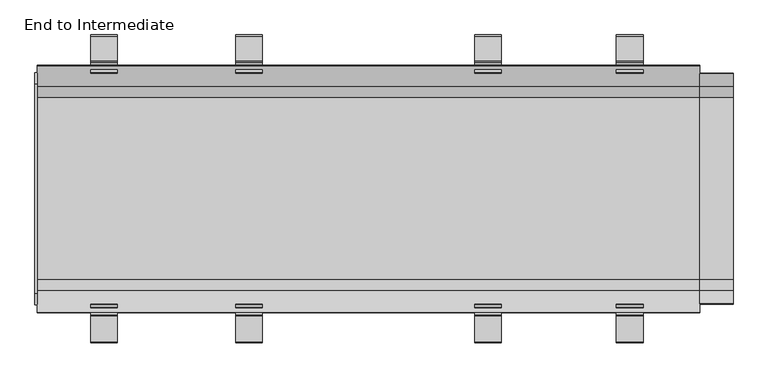
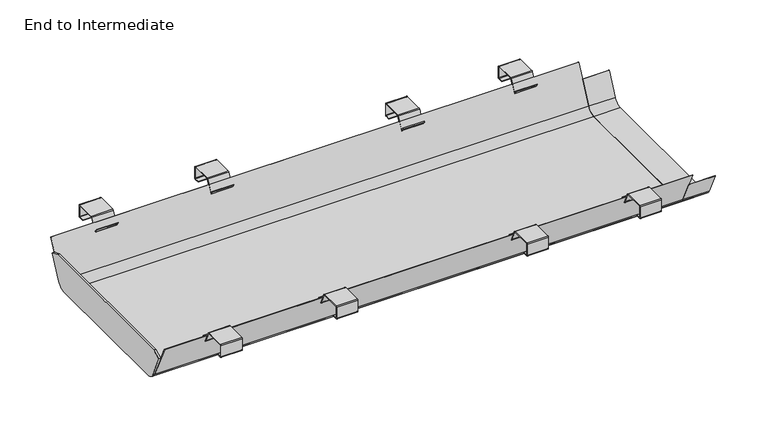
"""IFC4 building model written with IfcOpenShell, lengths in millimetres: furniture geometry, End to Intermediate."""

import ifcopenshell
import ifcopenshell.guid

model = None  # the IFC model being written
_history = None  # IfcOwnerHistory: only IFC2X3 demands one
_inside = {}  # id of a spatial element -> (the spatial element, [elements in it])
_under = {}  # id of a project, library or spatial element -> (it, [spatial elements below it])
_declared = {}  # id of a project -> (the project, [libraries it declares])
_typed = {}  # id of a type object -> (the type object, [elements of that type])
_made_of = {}  # id of a material, layer set ... -> (it, [elements and type objects made of it])


def new_model(schema):
    """Start an empty IFC model of exactly this schema.

    Asked for "IFC4X3", IfcOpenShell would pick the latest addendum, in which some entities
    have other attributes; the version numbers below select the first issue.
    IFC2X3 requires an IfcOwnerHistory on every rooted entity: one is made here for all.
    """
    global model, _history
    if schema == "IFC4X3":
        model = ifcopenshell.file(schema_version=(4, 3, 0, 0))
    else:
        model = ifcopenshell.file(schema=schema)
    _inside.clear()
    _under.clear()
    _declared.clear()
    _typed.clear()
    _made_of.clear()
    _history = None
    if model.schema == "IFC2X3":
        org = make("IfcOrganization", Name="unknown")
        user = make(
            "IfcPersonAndOrganization",
            ThePerson=make("IfcPerson", FamilyName="unknown"),
            TheOrganization=org,
        )
        app = make(
            "IfcApplication",
            ApplicationDeveloper=org,
            Version="unknown",
            ApplicationFullName="unknown",
            ApplicationIdentifier="unknown",
        )
        _history = make(
            "IfcOwnerHistory",
            OwningUser=user,
            OwningApplication=app,
            ChangeAction="ADDED",
            CreationDate=0,
        )
    return model


def make(cls, **values):
    """One entity of the class cls with the attributes given. An attribute that is None is left unset."""
    return model.create_entity(
        cls, **{name: value for name, value in values.items() if value is not None}
    )


def rooted(cls, **values):
    """An entity with a GlobalId (a new one), such as an element, a storey or a relation."""
    return make(cls, GlobalId=ifcopenshell.guid.new(), OwnerHistory=_history, **values)


def si_unit(unit_type, name, prefix=None):
    """IfcSIUnit, for example si_unit("LENGTHUNIT", "METRE", prefix="MILLI")."""
    return make("IfcSIUnit", UnitType=unit_type, Prefix=prefix, Name=name)


def assignment(units):
    """IfcUnitAssignment: the units of a project."""
    return None if units is None else make("IfcUnitAssignment", Units=units)


def point(xyz):
    """IfcCartesianPoint."""
    return None if xyz is None else make("IfcCartesianPoint", Coordinates=xyz)


def direction(xyz):
    """IfcDirection."""
    return None if xyz is None else make("IfcDirection", DirectionRatios=xyz)


def frame(location, z_axis=None, x_axis=None):
    """IfcAxis2Placement3D, a coordinate frame: its origin and axes. An axis left out is left unset."""
    return make(
        "IfcAxis2Placement3D",
        Location=point(location),
        Axis=direction(z_axis),
        RefDirection=direction(x_axis),
    )


def frame_2d(location, x_axis=None):
    """IfcAxis2Placement2D, a coordinate frame in the plane: its origin and x axis."""
    return make(
        "IfcAxis2Placement2D", Location=point(location), RefDirection=direction(x_axis)
    )


def origin():
    """The frame at (0, 0, 0) with its axes left unset."""
    return frame((0.0, 0.0, 0.0))


def place(relative_to, where):
    """IfcLocalPlacement: puts the frame where relative to a parent placement (None: the world)."""
    return make(
        "IfcLocalPlacement", PlacementRelTo=relative_to, RelativePlacement=where
    )


def context(
    kind, dimensions, precision=None, world=None, true_north=None, identifier=None
):
    """IfcGeometricRepresentationContext, for example the 3D "Model" context."""
    return make(
        "IfcGeometricRepresentationContext",
        ContextIdentifier=identifier,
        ContextType=kind,
        CoordinateSpaceDimension=dimensions,
        Precision=precision,
        WorldCoordinateSystem=world,
        TrueNorth=true_north,
    )


def project(units=None, contexts=None):
    """IfcProject with its units and contexts."""
    return rooted(
        "IfcProject",
        Name="project",
        RepresentationContexts=contexts,
        UnitsInContext=assignment(units),
    )


def spatial(cls, under=None, at=None, **own):
    """A site, building, storey or space (cls), placed at a placement, below another one or the project."""
    s = rooted(cls, ObjectPlacement=at, **own)
    if under is not None:
        _under.setdefault(under.id(), (under, []))[1].append(s)
    return s


def polyline(points):
    """IfcPolyline through the points."""
    return make("IfcPolyline", Points=[point(p) for p in points])


def circle_curve(where, radius):
    """IfcCircle in the frame where."""
    return make("IfcCircle", Position=where, Radius=radius)


def trimmed(basis, trim1, trim2, sense, master):
    """IfcTrimmedCurve: the piece of a basis curve between two trims."""
    return make(
        "IfcTrimmedCurve",
        BasisCurve=basis,
        Trim1=trim1,
        Trim2=trim2,
        SenseAgreement=sense,
        MasterRepresentation=master,
    )


def segment(curve, same_sense, transition):
    """IfcCompositeCurveSegment."""
    return make(
        "IfcCompositeCurveSegment",
        Transition=transition,
        SameSense=same_sense,
        ParentCurve=curve,
    )


def composite_curve(segments, self_intersect=None):
    """IfcCompositeCurve: segments joined end to end."""
    return make("IfcCompositeCurve", Segments=segments, SelfIntersect=self_intersect)


def outline(outer, holes=None, kind="AREA"):
    """IfcArbitraryClosedProfileDef: a profile drawn as a closed curve; with holes, ...WithVoids."""
    if holes is None:
        return make("IfcArbitraryClosedProfileDef", ProfileType=kind, OuterCurve=outer)
    return make(
        "IfcArbitraryProfileDefWithVoids",
        ProfileType=kind,
        OuterCurve=outer,
        InnerCurves=holes,
    )


def extrude(swept, where, along, depth):
    """IfcExtrudedAreaSolid: the profile swept, set in the frame where, extruded along a direction by depth."""
    return make(
        "IfcExtrudedAreaSolid",
        SweptArea=swept,
        Position=where,
        ExtrudedDirection=direction(along),
        Depth=depth,
    )


def shape(context_of_items, identifier, shape_type, items):
    """IfcShapeRepresentation: the items that make up one representation, for example the "Body"."""
    return make(
        "IfcShapeRepresentation",
        ContextOfItems=context_of_items,
        RepresentationIdentifier=identifier,
        RepresentationType=shape_type,
        Items=items,
    )


def source(mapping_origin, context_of_items, identifier, shape_type, items):
    """IfcRepresentationMap: a shape defined once, which mapped items show again and again."""
    return make(
        "IfcRepresentationMap",
        MappingOrigin=mapping_origin,
        MappedRepresentation=shape(context_of_items, identifier, shape_type, items),
    )


def transform(
    local_origin,
    x_axis=None,
    y_axis=None,
    z_axis=None,
    scale=None,
    scale2=None,
    scale3=None,
    uniform=True,
):
    """IfcCartesianTransformationOperator3D, or its non-uniform kind. x_axis, y_axis, z_axis: its Axis1, 2, 3."""
    if uniform:
        return make(
            "IfcCartesianTransformationOperator3D",
            Axis1=direction(x_axis),
            Axis2=direction(y_axis),
            LocalOrigin=point(local_origin),
            Scale=scale,
            Axis3=direction(z_axis),
        )
    return make(
        "IfcCartesianTransformationOperator3DnonUniform",
        Axis1=direction(x_axis),
        Axis2=direction(y_axis),
        LocalOrigin=point(local_origin),
        Scale=scale,
        Axis3=direction(z_axis),
        Scale2=scale2,
        Scale3=scale3,
    )


def mapped(mapping_source, mapping_target):
    """IfcMappedItem: shows the shape of a source again, moved by a transform."""
    return make(
        "IfcMappedItem", MappingSource=mapping_source, MappingTarget=mapping_target
    )


def made_of(thing, what):
    """Note that an element or type object is made of a material, layer set ...; save() writes the relation."""
    if what is not None:
        _made_of.setdefault(what.id(), (what, []))[1].append(thing)
    return thing


def element(
    cls,
    number,
    at=None,
    inside=None,
    cuts=None,
    type_object=None,
    material=None,
    context=None,
    identifier="Body",
    shape_type=None,
    held_by="IfcProductDefinitionShape",
    body=None,
    shapes=None,
    **own,
):
    """One element of the class cls, such as IfcWall. Its Tag is "e" and its number.

    at: its placement. inside: the storey or other place that contains it. cuts: it is an
    opening in that element (IfcRelVoidsElement). A single representation is given by context,
    identifier, shape_type and body (its items); several are given by shapes. held_by: the class
    of the entity that holds the representations. save() writes the other relations.
    """
    e = rooted(cls, Tag="e%d" % number, ObjectPlacement=at, **own)
    if body is not None:
        shapes = [shape(context, identifier, shape_type, body)]
    if shapes is not None:
        e.Representation = make(held_by, Representations=shapes)
    if inside is not None:
        _inside.setdefault(inside.id(), (inside, []))[1].append(e)
    if cuts is not None:
        rooted(
            "IfcRelVoidsElement", RelatingBuildingElement=cuts, RelatedOpeningElement=e
        )
    if type_object is not None:
        _typed.setdefault(type_object.id(), (type_object, []))[1].append(e)
    return made_of(e, material)


def aggregate(whole, parts):
    """IfcRelAggregates: a whole, such as a stair, and the parts it consists of."""
    return rooted("IfcRelAggregates", RelatingObject=whole, RelatedObjects=parts)


def save(model, path):
    """Write the relations noted so far, then the file.

    IfcRelAggregates (storeys below a building ...), IfcRelContainedInSpatialStructure (elements
    in a storey), IfcRelDefinesByType, IfcRelAssociatesMaterial and IfcRelDeclares: one each for
    every whole, place, type object, material and project.
    """
    for whole, parts in _under.values():
        aggregate(whole, parts)
    for where, things in _inside.values():
        rooted(
            "IfcRelContainedInSpatialStructure",
            RelatedElements=things,
            RelatingStructure=where,
        )
    for kind, things in _typed.values():
        rooted("IfcRelDefinesByType", RelatedObjects=things, RelatingType=kind)
    for what, things in _made_of.values():
        rooted("IfcRelAssociatesMaterial", RelatedObjects=things, RelatingMaterial=what)
    for by, libraries in _declared.values():
        rooted("IfcRelDeclares", RelatingContext=by, RelatedDefinitions=libraries)
    model.write(path)


def end_to_intermediate_b1b25833(model_context):
    return source(origin(), model_context, "Body", "SweptSolid", [
        extrude(outline(composite_curve([segment(trimmed(circle_curve(frame_2d((314.3902006, 688.9500511)), 2.2675383), [point((314.3902006, 691.2175894))], [point((316.6577389, 688.9500511))], False, "CARTESIAN"), True, "CONTINUOUS"), segment(polyline([(316.6577389, 688.9500511), (316.6577389, 658.7282211)]), True, "CONTINUOUS"), segment(trimmed(circle_curve(frame_2d((314.147136, 658.7282211)), 2.5106029), [point((316.6577389, 658.7282211))], [point((314.147136, 656.2176182))], False, "CARTESIAN"), True, "CONTINUOUS"), segment(polyline([(314.147136, 656.2176182), (301.6596991, 656.2176182), (301.6596991, 657.7175993), (314.1843397, 657.7175993)]), True, "CONTINUOUS"), segment(trimmed(circle_curve(frame_2d((314.1843397, 658.6910173)), 0.973418), [point((314.1843397, 657.7175993))], [point((315.1577577, 658.6910173))], True, "CARTESIAN"), True, "CONTINUOUS"), segment(polyline([(315.1577577, 658.6910173), (315.1577577, 688.5126976)]), True, "CONTINUOUS"), segment(trimmed(circle_curve(frame_2d((313.9528471, 688.5126976)), 1.2049106), [point((315.1577577, 688.5126976))], [point((313.9528471, 689.7176083))], True, "CARTESIAN"), True, "CONTINUOUS"), segment(polyline([(313.9528471, 689.7176083), (262.1811743, 689.7176083)]), True, "CONTINUOUS"), segment(trimmed(circle_curve(frame_2d((262.1811743, 688.8265414)), 0.8910668), [point((262.1811743, 689.7176083))], [point((261.3735958, 689.2031275))], True, "CARTESIAN"), True, "CONTINUOUS"), segment(polyline([(261.3735958, 689.2031275), (247.8059576, 660.1076971)]), True, "CONTINUOUS"), segment(trimmed(circle_curve(frame_2d((245.517585, 661.1747998)), 2.524947), [point((247.8059576, 660.1076971))], [point((243.4492366, 659.7265967))], False, "CARTESIAN"), True, "CONTINUOUS"), segment(polyline([(243.4492366, 659.7265967), (237.3549672, 668.4305362), (238.583501, 669.2907232), (244.4904732, 660.8544166)]), True, "CONTINUOUS"), segment(trimmed(circle_curve(frame_2d((245.4846589, 661.5505301)), 1.2136636), [point((244.4904732, 660.8544166))], [point((246.5846085, 661.037607))], True, "CARTESIAN"), True, "CONTINUOUS"), segment(polyline([(246.5846085, 661.037607), (259.8430196, 689.4699085)]), True, "CONTINUOUS"), segment(trimmed(circle_curve(frame_2d((262.5863476, 688.1906532)), 3.0269361), [point((259.8430196, 689.4699085))], [point((262.5863476, 691.2175894))], False, "CARTESIAN"), True, "CONTINUOUS"), segment(polyline([(262.5863476, 691.2175894), (314.3902006, 691.2175894)]), True, "CONTINUOUS")], self_intersect=False)), frame((-572.021592, 0.0, 0.0), z_axis=(1.0, 0.0, 0.0), x_axis=(0.0, 1.0, 0.0)), (0.0, 0.0, 1.0), 55.0186294),
        extrude(outline(composite_curve([segment(polyline([(-314.3902006, 691.2175894), (-262.5863476, 691.2175894)]), True, "CONTINUOUS"), segment(trimmed(circle_curve(frame_2d((-262.5863476, 688.1906532)), 3.0269361), [point((-262.5863476, 691.2175894))], [point((-259.8430196, 689.4699085))], False, "CARTESIAN"), True, "CONTINUOUS"), segment(polyline([(-259.8430196, 689.4699085), (-246.5846085, 661.037607)]), True, "CONTINUOUS"), segment(trimmed(circle_curve(frame_2d((-245.4846589, 661.5505301)), 1.2136636), [point((-246.5846085, 661.037607))], [point((-244.4904732, 660.8544166))], True, "CARTESIAN"), True, "CONTINUOUS"), segment(polyline([(-244.4904732, 660.8544166), (-238.583501, 669.2907232), (-237.3549672, 668.4305362), (-243.4492366, 659.7265967)]), True, "CONTINUOUS"), segment(trimmed(circle_curve(frame_2d((-245.517585, 661.1747998)), 2.524947), [point((-243.4492366, 659.7265967))], [point((-247.8059576, 660.1076971))], False, "CARTESIAN"), True, "CONTINUOUS"), segment(polyline([(-247.8059576, 660.1076971), (-261.3735958, 689.2031275)]), True, "CONTINUOUS"), segment(trimmed(circle_curve(frame_2d((-262.1811743, 688.8265414)), 0.8910668), [point((-261.3735958, 689.2031275))], [point((-262.1811743, 689.7176083))], True, "CARTESIAN"), True, "CONTINUOUS"), segment(polyline([(-262.1811743, 689.7176083), (-313.9528471, 689.7176083)]), True, "CONTINUOUS"), segment(trimmed(circle_curve(frame_2d((-313.9528471, 688.5126976)), 1.2049106), [point((-313.9528471, 689.7176083))], [point((-315.1577577, 688.5126976))], True, "CARTESIAN"), True, "CONTINUOUS"), segment(polyline([(-315.1577577, 688.5126976), (-315.1577577, 658.6910173)]), True, "CONTINUOUS"), segment(trimmed(circle_curve(frame_2d((-314.1843397, 658.6910173)), 0.973418), [point((-315.1577577, 658.6910173))], [point((-314.1843397, 657.7175993))], True, "CARTESIAN"), True, "CONTINUOUS"), segment(polyline([(-314.1843397, 657.7175993), (-301.6596991, 657.7175993), (-301.6596991, 656.2176182), (-314.147136, 656.2176182)]), True, "CONTINUOUS"), segment(trimmed(circle_curve(frame_2d((-314.147136, 658.7282211)), 2.5106029), [point((-314.147136, 656.2176182))], [point((-316.6577389, 658.7282211))], False, "CARTESIAN"), True, "CONTINUOUS"), segment(polyline([(-316.6577389, 658.7282211), (-316.6577389, 688.9500511)]), True, "CONTINUOUS"), segment(trimmed(circle_curve(frame_2d((-314.3902006, 688.9500511)), 2.2675383), [point((-316.6577389, 688.9500511))], [point((-314.3902006, 691.2175894))], False, "CARTESIAN"), True, "CONTINUOUS")], self_intersect=False)), frame((-572.021592, 0.0, 0.0), z_axis=(1.0, 0.0, 0.0), x_axis=(0.0, 1.0, 0.0)), (0.0, 0.0, 1.0), 55.0186294),
        extrude(outline(composite_curve([segment(trimmed(circle_curve(frame_2d((314.3902006, 688.9500511)), 2.2675383), [point((314.3902006, 691.2175894))], [point((316.6577389, 688.9500511))], False, "CARTESIAN"), True, "CONTINUOUS"), segment(polyline([(316.6577389, 688.9500511), (316.6577389, 658.7282211)]), True, "CONTINUOUS"), segment(trimmed(circle_curve(frame_2d((314.147136, 658.7282211)), 2.5106029), [point((316.6577389, 658.7282211))], [point((314.147136, 656.2176182))], False, "CARTESIAN"), True, "CONTINUOUS"), segment(polyline([(314.147136, 656.2176182), (301.6596991, 656.2176182), (301.6596991, 657.7175993), (314.1843397, 657.7175993)]), True, "CONTINUOUS"), segment(trimmed(circle_curve(frame_2d((314.1843397, 658.6910173)), 0.973418), [point((314.1843397, 657.7175993))], [point((315.1577577, 658.6910173))], True, "CARTESIAN"), True, "CONTINUOUS"), segment(polyline([(315.1577577, 658.6910173), (315.1577577, 688.5126976)]), True, "CONTINUOUS"), segment(trimmed(circle_curve(frame_2d((313.9528471, 688.5126976)), 1.2049106), [point((315.1577577, 688.5126976))], [point((313.9528471, 689.7176083))], True, "CARTESIAN"), True, "CONTINUOUS"), segment(polyline([(313.9528471, 689.7176083), (262.1811743, 689.7176083)]), True, "CONTINUOUS"), segment(trimmed(circle_curve(frame_2d((262.1811743, 688.8265414)), 0.8910668), [point((262.1811743, 689.7176083))], [point((261.3735958, 689.2031275))], True, "CARTESIAN"), True, "CONTINUOUS"), segment(polyline([(261.3735958, 689.2031275), (247.8059576, 660.1076971)]), True, "CONTINUOUS"), segment(trimmed(circle_curve(frame_2d((245.517585, 661.1747998)), 2.524947), [point((247.8059576, 660.1076971))], [point((243.4492366, 659.7265967))], False, "CARTESIAN"), True, "CONTINUOUS"), segment(polyline([(243.4492366, 659.7265967), (237.3549672, 668.4305362), (238.583501, 669.2907232), (244.4904732, 660.8544166)]), True, "CONTINUOUS"), segment(trimmed(circle_curve(frame_2d((245.4846589, 661.5505301)), 1.2136636), [point((244.4904732, 660.8544166))], [point((246.5846085, 661.037607))], True, "CARTESIAN"), True, "CONTINUOUS"), segment(polyline([(246.5846085, 661.037607), (259.8430196, 689.4699085)]), True, "CONTINUOUS"), segment(trimmed(circle_curve(frame_2d((262.5863476, 688.1906532)), 3.0269361), [point((259.8430196, 689.4699085))], [point((262.5863476, 691.2175894))], False, "CARTESIAN"), True, "CONTINUOUS"), segment(polyline([(262.5863476, 691.2175894), (314.3902006, 691.2175894)]), True, "CONTINUOUS")], self_intersect=False)), frame((-273.4528805, 0.0, 0.0), z_axis=(1.0, 0.0, 0.0), x_axis=(0.0, 1.0, 0.0)), (0.0, 0.0, 1.0), 54.9870932),
        extrude(outline(composite_curve([segment(polyline([(-314.3902006, 691.2175894), (-262.5863476, 691.2175894)]), True, "CONTINUOUS"), segment(trimmed(circle_curve(frame_2d((-262.5863476, 688.1906532)), 3.0269361), [point((-262.5863476, 691.2175894))], [point((-259.8430196, 689.4699085))], False, "CARTESIAN"), True, "CONTINUOUS"), segment(polyline([(-259.8430196, 689.4699085), (-246.5846085, 661.037607)]), True, "CONTINUOUS"), segment(trimmed(circle_curve(frame_2d((-245.4846589, 661.5505301)), 1.2136636), [point((-246.5846085, 661.037607))], [point((-244.4904732, 660.8544166))], True, "CARTESIAN"), True, "CONTINUOUS"), segment(polyline([(-244.4904732, 660.8544166), (-238.583501, 669.2907232), (-237.3549672, 668.4305362), (-243.4492366, 659.7265967)]), True, "CONTINUOUS"), segment(trimmed(circle_curve(frame_2d((-245.517585, 661.1747998)), 2.524947), [point((-243.4492366, 659.7265967))], [point((-247.8059576, 660.1076971))], False, "CARTESIAN"), True, "CONTINUOUS"), segment(polyline([(-247.8059576, 660.1076971), (-261.3735958, 689.2031275)]), True, "CONTINUOUS"), segment(trimmed(circle_curve(frame_2d((-262.1811743, 688.8265414)), 0.8910668), [point((-261.3735958, 689.2031275))], [point((-262.1811743, 689.7176083))], True, "CARTESIAN"), True, "CONTINUOUS"), segment(polyline([(-262.1811743, 689.7176083), (-313.9528471, 689.7176083)]), True, "CONTINUOUS"), segment(trimmed(circle_curve(frame_2d((-313.9528471, 688.5126976)), 1.2049106), [point((-313.9528471, 689.7176083))], [point((-315.1577577, 688.5126976))], True, "CARTESIAN"), True, "CONTINUOUS"), segment(polyline([(-315.1577577, 688.5126976), (-315.1577577, 658.6910173)]), True, "CONTINUOUS"), segment(trimmed(circle_curve(frame_2d((-314.1843397, 658.6910173)), 0.973418), [point((-315.1577577, 658.6910173))], [point((-314.1843397, 657.7175993))], True, "CARTESIAN"), True, "CONTINUOUS"), segment(polyline([(-314.1843397, 657.7175993), (-301.6596991, 657.7175993), (-301.6596991, 656.2176182), (-314.147136, 656.2176182)]), True, "CONTINUOUS"), segment(trimmed(circle_curve(frame_2d((-314.147136, 658.7282211)), 2.5106029), [point((-314.147136, 656.2176182))], [point((-316.6577389, 658.7282211))], False, "CARTESIAN"), True, "CONTINUOUS"), segment(polyline([(-316.6577389, 658.7282211), (-316.6577389, 688.9500511)]), True, "CONTINUOUS"), segment(trimmed(circle_curve(frame_2d((-314.3902006, 688.9500511)), 2.2675383), [point((-316.6577389, 688.9500511))], [point((-314.3902006, 691.2175894))], False, "CARTESIAN"), True, "CONTINUOUS")], self_intersect=False)), frame((-273.4528805, 0.0, 0.0), z_axis=(1.0, 0.0, 0.0), x_axis=(0.0, 1.0, 0.0)), (0.0, 0.0, 1.0), 54.9870932),
        extrude(outline(composite_curve([segment(trimmed(circle_curve(frame_2d((314.3902006, 688.9500511)), 2.2675383), [point((314.3902006, 691.2175894))], [point((316.6577389, 688.9500511))], False, "CARTESIAN"), True, "CONTINUOUS"), segment(polyline([(316.6577389, 688.9500511), (316.6577389, 658.7282211)]), True, "CONTINUOUS"), segment(trimmed(circle_curve(frame_2d((314.147136, 658.7282211)), 2.5106029), [point((316.6577389, 658.7282211))], [point((314.147136, 656.2176182))], False, "CARTESIAN"), True, "CONTINUOUS"), segment(polyline([(314.147136, 656.2176182), (301.6596991, 656.2176182), (301.6596991, 657.7175993), (314.1843397, 657.7175993)]), True, "CONTINUOUS"), segment(trimmed(circle_curve(frame_2d((314.1843397, 658.6910173)), 0.973418), [point((314.1843397, 657.7175993))], [point((315.1577577, 658.6910173))], True, "CARTESIAN"), True, "CONTINUOUS"), segment(polyline([(315.1577577, 658.6910173), (315.1577577, 688.5126976)]), True, "CONTINUOUS"), segment(trimmed(circle_curve(frame_2d((313.9528471, 688.5126976)), 1.2049106), [point((315.1577577, 688.5126976))], [point((313.9528471, 689.7176083))], True, "CARTESIAN"), True, "CONTINUOUS"), segment(polyline([(313.9528471, 689.7176083), (262.1811743, 689.7176083)]), True, "CONTINUOUS"), segment(trimmed(circle_curve(frame_2d((262.1811743, 688.8265414)), 0.8910668), [point((262.1811743, 689.7176083))], [point((261.3735958, 689.2031275))], True, "CARTESIAN"), True, "CONTINUOUS"), segment(polyline([(261.3735958, 689.2031275), (247.8059576, 660.1076971)]), True, "CONTINUOUS"), segment(trimmed(circle_curve(frame_2d((245.517585, 661.1747998)), 2.524947), [point((247.8059576, 660.1076971))], [point((243.4492366, 659.7265967))], False, "CARTESIAN"), True, "CONTINUOUS"), segment(polyline([(243.4492366, 659.7265967), (237.3549672, 668.4305362), (238.583501, 669.2907232), (244.4904732, 660.8544166)]), True, "CONTINUOUS"), segment(trimmed(circle_curve(frame_2d((245.4846589, 661.5505301)), 1.2136636), [point((244.4904732, 660.8544166))], [point((246.5846085, 661.037607))], True, "CARTESIAN"), True, "CONTINUOUS"), segment(polyline([(246.5846085, 661.037607), (259.8430196, 689.4699085)]), True, "CONTINUOUS"), segment(trimmed(circle_curve(frame_2d((262.5863476, 688.1906532)), 3.0269361), [point((259.8430196, 689.4699085))], [point((262.5863476, 691.2175894))], False, "CARTESIAN"), True, "CONTINUOUS"), segment(polyline([(262.5863476, 691.2175894), (314.3902006, 691.2175894)]), True, "CONTINUOUS")], self_intersect=False)), frame((509.9849359, 0.0, 0.0), z_axis=(1.0, 0.0, 0.0), x_axis=(0.0, 1.0, 0.0)), (0.0, 0.0, 1.0), 55.0121015),
        extrude(outline(composite_curve([segment(polyline([(-314.3902006, 691.2175894), (-262.5863476, 691.2175894)]), True, "CONTINUOUS"), segment(trimmed(circle_curve(frame_2d((-262.5863476, 688.1906532)), 3.0269361), [point((-262.5863476, 691.2175894))], [point((-259.8430196, 689.4699085))], False, "CARTESIAN"), True, "CONTINUOUS"), segment(polyline([(-259.8430196, 689.4699085), (-246.5846085, 661.037607)]), True, "CONTINUOUS"), segment(trimmed(circle_curve(frame_2d((-245.4846589, 661.5505301)), 1.2136636), [point((-246.5846085, 661.037607))], [point((-244.4904732, 660.8544166))], True, "CARTESIAN"), True, "CONTINUOUS"), segment(polyline([(-244.4904732, 660.8544166), (-238.583501, 669.2907232), (-237.3549672, 668.4305362), (-243.4492366, 659.7265967)]), True, "CONTINUOUS"), segment(trimmed(circle_curve(frame_2d((-245.517585, 661.1747998)), 2.524947), [point((-243.4492366, 659.7265967))], [point((-247.8059576, 660.1076971))], False, "CARTESIAN"), True, "CONTINUOUS"), segment(polyline([(-247.8059576, 660.1076971), (-261.3735958, 689.2031275)]), True, "CONTINUOUS"), segment(trimmed(circle_curve(frame_2d((-262.1811743, 688.8265414)), 0.8910668), [point((-261.3735958, 689.2031275))], [point((-262.1811743, 689.7176083))], True, "CARTESIAN"), True, "CONTINUOUS"), segment(polyline([(-262.1811743, 689.7176083), (-313.9528471, 689.7176083)]), True, "CONTINUOUS"), segment(trimmed(circle_curve(frame_2d((-313.9528471, 688.5126976)), 1.2049106), [point((-313.9528471, 689.7176083))], [point((-315.1577577, 688.5126976))], True, "CARTESIAN"), True, "CONTINUOUS"), segment(polyline([(-315.1577577, 688.5126976), (-315.1577577, 658.6910173)]), True, "CONTINUOUS"), segment(trimmed(circle_curve(frame_2d((-314.1843397, 658.6910173)), 0.973418), [point((-315.1577577, 658.6910173))], [point((-314.1843397, 657.7175993))], True, "CARTESIAN"), True, "CONTINUOUS"), segment(polyline([(-314.1843397, 657.7175993), (-301.6596991, 657.7175993), (-301.6596991, 656.2176182), (-314.147136, 656.2176182)]), True, "CONTINUOUS"), segment(trimmed(circle_curve(frame_2d((-314.147136, 658.7282211)), 2.5106029), [point((-314.147136, 656.2176182))], [point((-316.6577389, 658.7282211))], False, "CARTESIAN"), True, "CONTINUOUS"), segment(polyline([(-316.6577389, 658.7282211), (-316.6577389, 688.9500511)]), True, "CONTINUOUS"), segment(trimmed(circle_curve(frame_2d((-314.3902006, 688.9500511)), 2.2675383), [point((-316.6577389, 688.9500511))], [point((-314.3902006, 691.2175894))], False, "CARTESIAN"), True, "CONTINUOUS")], self_intersect=False)), frame((509.9849359, 0.0, 0.0), z_axis=(1.0, 0.0, 0.0), x_axis=(0.0, 1.0, 0.0)), (0.0, 0.0, 1.0), 55.0121015),
        extrude(outline(composite_curve([segment(trimmed(circle_curve(frame_2d((314.3902006, 688.9500511)), 2.2675383), [point((314.3902006, 691.2175894))], [point((316.6577389, 688.9500511))], False, "CARTESIAN"), True, "CONTINUOUS"), segment(polyline([(316.6577389, 688.9500511), (316.6577389, 658.7282211)]), True, "CONTINUOUS"), segment(trimmed(circle_curve(frame_2d((314.147136, 658.7282211)), 2.5106029), [point((316.6577389, 658.7282211))], [point((314.147136, 656.2176182))], False, "CARTESIAN"), True, "CONTINUOUS"), segment(polyline([(314.147136, 656.2176182), (301.6596991, 656.2176182), (301.6596991, 657.7175993), (314.1843397, 657.7175993)]), True, "CONTINUOUS"), segment(trimmed(circle_curve(frame_2d((314.1843397, 658.6910173)), 0.973418), [point((314.1843397, 657.7175993))], [point((315.1577577, 658.6910173))], True, "CARTESIAN"), True, "CONTINUOUS"), segment(polyline([(315.1577577, 658.6910173), (315.1577577, 688.5126976)]), True, "CONTINUOUS"), segment(trimmed(circle_curve(frame_2d((313.9528471, 688.5126976)), 1.2049106), [point((315.1577577, 688.5126976))], [point((313.9528471, 689.7176083))], True, "CARTESIAN"), True, "CONTINUOUS"), segment(polyline([(313.9528471, 689.7176083), (262.1811743, 689.7176083)]), True, "CONTINUOUS"), segment(trimmed(circle_curve(frame_2d((262.1811743, 688.8265414)), 0.8910668), [point((262.1811743, 689.7176083))], [point((261.3735958, 689.2031275))], True, "CARTESIAN"), True, "CONTINUOUS"), segment(polyline([(261.3735958, 689.2031275), (247.8059576, 660.1076971)]), True, "CONTINUOUS"), segment(trimmed(circle_curve(frame_2d((245.517585, 661.1747998)), 2.524947), [point((247.8059576, 660.1076971))], [point((243.4492366, 659.7265967))], False, "CARTESIAN"), True, "CONTINUOUS"), segment(polyline([(243.4492366, 659.7265967), (237.3549672, 668.4305362), (238.583501, 669.2907232), (244.4904732, 660.8544166)]), True, "CONTINUOUS"), segment(trimmed(circle_curve(frame_2d((245.4846589, 661.5505301)), 1.2136636), [point((244.4904732, 660.8544166))], [point((246.5846085, 661.037607))], True, "CARTESIAN"), True, "CONTINUOUS"), segment(polyline([(246.5846085, 661.037607), (259.8430196, 689.4699085)]), True, "CONTINUOUS"), segment(trimmed(circle_curve(frame_2d((262.5863476, 688.1906532)), 3.0269361), [point((259.8430196, 689.4699085))], [point((262.5863476, 691.2175894))], False, "CARTESIAN"), True, "CONTINUOUS"), segment(polyline([(262.5863476, 691.2175894), (314.3902006, 691.2175894)]), True, "CONTINUOUS")], self_intersect=False)), frame((218.4657874, 0.0, 0.0), z_axis=(1.0, 0.0, 0.0), x_axis=(0.0, 1.0, 0.0)), (0.0, 0.0, 1.0), 54.9870932),
        extrude(outline(composite_curve([segment(polyline([(-314.3902006, 691.2175894), (-262.5863476, 691.2175894)]), True, "CONTINUOUS"), segment(trimmed(circle_curve(frame_2d((-262.5863476, 688.1906532)), 3.0269361), [point((-262.5863476, 691.2175894))], [point((-259.8430196, 689.4699085))], False, "CARTESIAN"), True, "CONTINUOUS"), segment(polyline([(-259.8430196, 689.4699085), (-246.5846085, 661.037607)]), True, "CONTINUOUS"), segment(trimmed(circle_curve(frame_2d((-245.4846589, 661.5505301)), 1.2136636), [point((-246.5846085, 661.037607))], [point((-244.4904732, 660.8544166))], True, "CARTESIAN"), True, "CONTINUOUS"), segment(polyline([(-244.4904732, 660.8544166), (-238.583501, 669.2907232), (-237.3549672, 668.4305362), (-243.4492366, 659.7265967)]), True, "CONTINUOUS"), segment(trimmed(circle_curve(frame_2d((-245.517585, 661.1747998)), 2.524947), [point((-243.4492366, 659.7265967))], [point((-247.8059576, 660.1076971))], False, "CARTESIAN"), True, "CONTINUOUS"), segment(polyline([(-247.8059576, 660.1076971), (-261.3735958, 689.2031275)]), True, "CONTINUOUS"), segment(trimmed(circle_curve(frame_2d((-262.1811743, 688.8265414)), 0.8910668), [point((-261.3735958, 689.2031275))], [point((-262.1811743, 689.7176083))], True, "CARTESIAN"), True, "CONTINUOUS"), segment(polyline([(-262.1811743, 689.7176083), (-313.9528471, 689.7176083)]), True, "CONTINUOUS"), segment(trimmed(circle_curve(frame_2d((-313.9528471, 688.5126976)), 1.2049106), [point((-313.9528471, 689.7176083))], [point((-315.1577577, 688.5126976))], True, "CARTESIAN"), True, "CONTINUOUS"), segment(polyline([(-315.1577577, 688.5126976), (-315.1577577, 658.6910173)]), True, "CONTINUOUS"), segment(trimmed(circle_curve(frame_2d((-314.1843397, 658.6910173)), 0.973418), [point((-315.1577577, 658.6910173))], [point((-314.1843397, 657.7175993))], True, "CARTESIAN"), True, "CONTINUOUS"), segment(polyline([(-314.1843397, 657.7175993), (-301.6596991, 657.7175993), (-301.6596991, 656.2176182), (-314.147136, 656.2176182)]), True, "CONTINUOUS"), segment(trimmed(circle_curve(frame_2d((-314.147136, 658.7282211)), 2.5106029), [point((-314.147136, 656.2176182))], [point((-316.6577389, 658.7282211))], False, "CARTESIAN"), True, "CONTINUOUS"), segment(polyline([(-316.6577389, 658.7282211), (-316.6577389, 688.9500511)]), True, "CONTINUOUS"), segment(trimmed(circle_curve(frame_2d((-314.3902006, 688.9500511)), 2.2675383), [point((-316.6577389, 688.9500511))], [point((-314.3902006, 691.2175894))], False, "CARTESIAN"), True, "CONTINUOUS")], self_intersect=False)), frame((218.4657874, 0.0, 0.0), z_axis=(1.0, 0.0, 0.0), x_axis=(0.0, 1.0, 0.0)), (0.0, 0.0, 1.0), 54.9870932),
        extrude(outline(composite_curve([segment(polyline([(-236.9729352, 642.5575422), (-210.1530997, 585.0422193)]), True, "CONTINUOUS"), segment(trimmed(circle_curve(frame_2d((-187.495405, 595.6076758)), 25.0), [point((-210.1530997, 585.0422193))], [point((-187.495405, 570.6076758))], True, "CARTESIAN"), True, "CONTINUOUS"), segment(polyline([(-187.495405, 570.6076758), (187.182905, 570.6076758)]), True, "CONTINUOUS"), segment(trimmed(circle_curve(frame_2d((187.182905, 595.6076758)), 25.0), [point((187.182905, 570.6076758))], [point((209.8405997, 585.0422193))], True, "CARTESIAN"), True, "CONTINUOUS"), segment(polyline([(209.8405997, 585.0422193), (236.7257287, 642.6975646), (237.5367758, 642.3193672), (210.7787035, 584.9364958)]), True, "CONTINUOUS"), segment(trimmed(circle_curve(frame_2d((186.8906002, 596.0757013)), 26.3576056), [point((210.7787035, 584.9364958))], [point((186.8906002, 569.7180957))], False, "CARTESIAN"), True, "CONTINUOUS"), segment(polyline([(186.8906002, 569.7180957), (-187.2031002, 569.7180957)]), True, "CONTINUOUS"), segment(trimmed(circle_curve(frame_2d((-187.2031002, 596.0757013)), 26.3576056), [point((-187.2031002, 569.7180957))], [point((-211.0912035, 584.9364958))], False, "CARTESIAN"), True, "CONTINUOUS"), segment(polyline([(-211.0912035, 584.9364958), (-237.7839823, 642.1793448), (-236.9729352, 642.5575422)]), True, "CONTINUOUS")], self_intersect=False)), frame((681.2521439, 0.0, 0.0), z_axis=(1.0, 0.0, 0.0), x_axis=(0.0, 1.0, 0.0)), (0.0, 0.0, 1.0), 68.7448935),
        extrude(outline(composite_curve([segment(polyline([(-215.1916299, 655.6158955), (214.8083701, 655.6158955), (238.3499298, 646.1806751), (209.8405997, 585.0422193)]), True, "CONTINUOUS"), segment(trimmed(circle_curve(frame_2d((187.182905, 595.6076758)), 25.0), [point((209.8405997, 585.0422193))], [point((187.182905, 570.6076758))], False, "CARTESIAN"), True, "CONTINUOUS"), segment(polyline([(187.182905, 570.6076758), (-187.495405, 570.6076758)]), True, "CONTINUOUS"), segment(trimmed(circle_curve(frame_2d((-187.495405, 595.6076758)), 25.0), [point((-187.495405, 570.6076758))], [point((-210.1530997, 585.0422193))], False, "CARTESIAN"), True, "CONTINUOUS"), segment(polyline([(-210.1530997, 585.0422193), (-238.0842986, 644.9408687), (-215.1916299, 655.6158955)]), True, "CONTINUOUS")], self_intersect=False)), frame((-686.4990564, 0.0, 0.0), z_axis=(1.0, 0.0, 0.0), x_axis=(0.0, 1.0, 0.0)), (0.0, 0.0, 1.0), 5.000002),
        extrude(outline(composite_curve([segment(polyline([(-253.8833112, 678.8219604), (-210.1530997, 585.0422193)]), True, "CONTINUOUS"), segment(trimmed(circle_curve(frame_2d((-187.495405, 595.6076758)), 25.0), [point((-210.1530997, 585.0422193))], [point((-187.495405, 570.6076758))], True, "CARTESIAN"), True, "CONTINUOUS"), segment(polyline([(-187.495405, 570.6076758), (187.182905, 570.6076758)]), True, "CONTINUOUS"), segment(trimmed(circle_curve(frame_2d((187.182905, 595.6076758)), 25.0), [point((187.182905, 570.6076758))], [point((209.8405997, 585.0422193))], True, "CARTESIAN"), True, "CONTINUOUS"), segment(polyline([(209.8405997, 585.0422193), (253.5708112, 678.8219604), (254.3818582, 678.443763), (210.7787035, 584.9364958)]), True, "CONTINUOUS"), segment(trimmed(circle_curve(frame_2d((186.8906002, 596.0757013)), 26.3576056), [point((210.7787035, 584.9364958))], [point((186.8906002, 569.7180957))], False, "CARTESIAN"), True, "CONTINUOUS"), segment(polyline([(186.8906002, 569.7180957), (-187.2031002, 569.7180957)]), True, "CONTINUOUS"), segment(trimmed(circle_curve(frame_2d((-187.2031002, 596.0757013)), 26.3576056), [point((-187.2031002, 569.7180957))], [point((-211.0912035, 584.9364958))], False, "CARTESIAN"), True, "CONTINUOUS"), segment(polyline([(-211.0912035, 584.9364958), (-254.6943582, 678.443763), (-253.8833112, 678.8219604)]), True, "CONTINUOUS")], self_intersect=False)), frame((-681.4990543, 0.0, 0.0), z_axis=(1.0, 0.0, 0.0), x_axis=(0.0, 1.0, 0.0)), (0.0, 0.0, 1.0), 1362.7511982),
    ])


if __name__ == "__main__":
    model = new_model("IFC4")
    model_context = context("Model", 3, world=origin())
    ifc_project = project(units=[si_unit("LENGTHUNIT", "METRE", prefix="MILLI")], contexts=[model_context])
    site = spatial("IfcSite", under=ifc_project)
    building = spatial("IfcBuilding", under=site)
    placement = place(None, origin())
    end_to_intermediate_shape = end_to_intermediate_b1b25833(model_context)
    element("IfcFurniture", 1, ObjectType="End to Intermediate", at=placement, inside=building, context=model_context, shape_type="MappedRepresentation", body=[
        mapped(end_to_intermediate_shape, transform((0.0, 0.0, 0.0), x_axis=(1.0, 0.0, 0.0), y_axis=(0.0, 1.0, 0.0), z_axis=(0.0, 0.0, 1.0))),
    ])
    save(model, "model.ifc")
